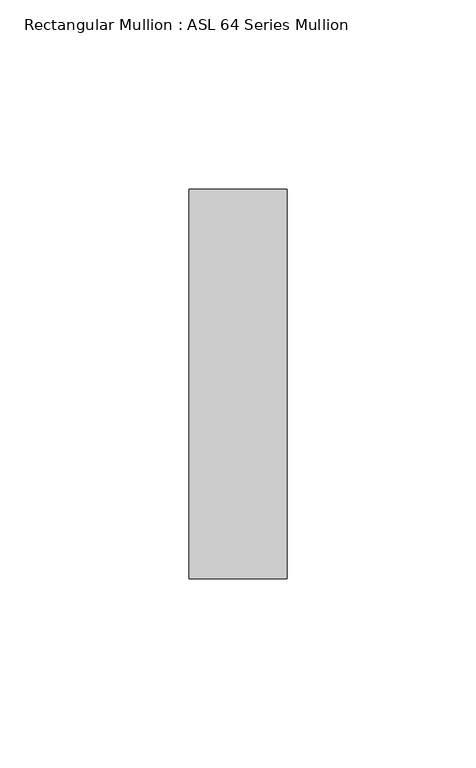
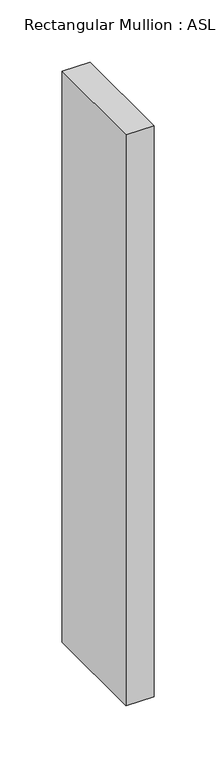
"""IFC4 building model written with IfcOpenShell, lengths in millimetres: member geometry, Rectangular Mullion : ASL 64 Series Mullion."""

from ifc_helpers import new_model, si_unit, frame, origin, place, context, project, spatial, polyline, outline, extrude, source, transform, mapped, element, save


def rectangular_mullion_asl_64_series_mullion_ea58b53e(model_context):
    return source(origin(), model_context, "Body", "SweptSolid", [
        extrude(outline(polyline([(13.0, 51.5), (13.0, -51.5), (-13.0, -51.5), (-13.0, 51.5), (13.0, 51.5)])), frame((0.0, 0.0, -561.0), z_axis=(0.0, 0.0, 1.0), x_axis=(1.0, 0.0, 0.0)), (0.0, 0.0, 1.0), 561.0),
    ])


if __name__ == "__main__":
    model = new_model("IFC4")
    model_context = context("Model", 3, world=origin())
    ifc_project = project(units=[si_unit("LENGTHUNIT", "METRE", prefix="MILLI")], contexts=[model_context])
    site = spatial("IfcSite", under=ifc_project)
    building = spatial("IfcBuilding", under=site)
    placement = place(None, origin())
    rectangular_mullion_asl_64_series_mullion_shape = rectangular_mullion_asl_64_series_mullion_ea58b53e(model_context)
    element("IfcMember", 1, ObjectType="Rectangular Mullion : ASL 64 Series Mullion", at=placement, inside=building, context=model_context, shape_type="MappedRepresentation", body=[
        mapped(rectangular_mullion_asl_64_series_mullion_shape, transform((0.0, 0.0, 0.0), x_axis=(1.0, 0.0, 0.0), y_axis=(0.0, 1.0, 0.0), z_axis=(0.0, 0.0, 1.0))),
    ])
    save(model, "model.ifc")
